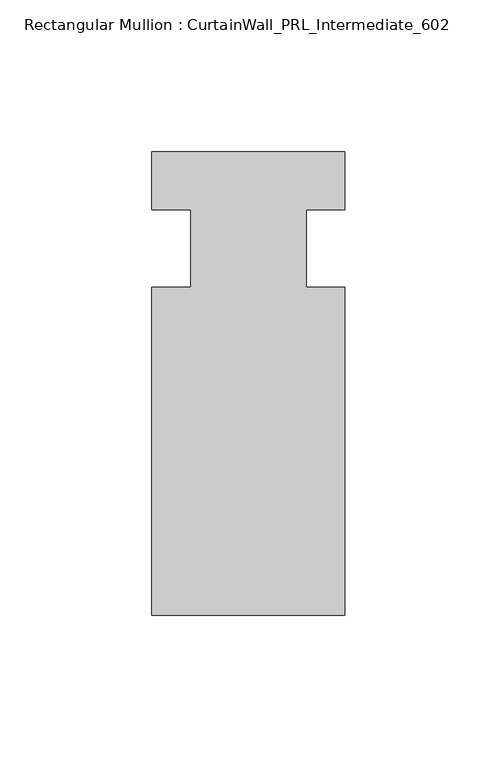
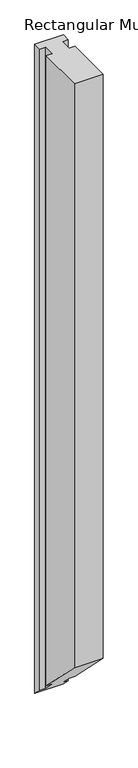
"""IFC4 building model written with IfcOpenShell, lengths in millimetres: member geometry, Rectangular Mullion : CurtainWall_PRL_Intermediate_602."""

from ifc_helpers import new_model, si_unit, origin, place, context, project, spatial, faceted_brep, source, transform, mapped, element, save


def rectangular_mullion_curtainwall_prl_intermediate_602_e72ae2a6(model_context):
    return source(origin(), model_context, "Body", "Brep", [
        faceted_brep([(-19.05, -12.7, 0.0), (-31.75, -12.7, 0.0), (-31.75, -120.65, 0.0), (31.75, -120.65, 0.0), (31.75, -12.7, 0.0), (19.05, -12.7, 0.0), (19.05, 12.7, 0.0), (31.75, 12.7, 0.0), (31.75, 31.75, 0.0), (-31.75, 31.75, 0.0), (-31.75, 12.7, 0.0), (-19.05, 12.7, 0.0), (-19.05, -12.7, -1479.55), (-31.75, -12.7, -1479.55), (-31.75, -120.65, -1371.6), (31.75, -120.65, -1371.6), (31.75, -12.7, -1479.55), (19.05, -12.7, -1479.55), (19.05, 12.7, -1504.95), (31.75, 12.7, -1504.95), (31.75, 31.75, -1524.0), (-31.75, 31.75, -1524.0), (-31.75, 12.7, -1504.95), (-19.05, 12.7, -1504.95)], [[[0, 1, 2, 3, 4, 5, 6, 7, 8, 9, 10, 11]], [[1, 0, 12, 13]], [[2, 1, 13, 14]], [[3, 2, 14, 15]], [[4, 3, 15, 16]], [[5, 4, 16, 17]], [[6, 5, 17, 18]], [[7, 6, 18, 19]], [[8, 7, 19, 20]], [[9, 8, 20, 21]], [[10, 9, 21, 22]], [[11, 10, 22, 23]], [[0, 11, 23, 12]], [[12, 23, 22, 21, 20, 19, 18, 17, 16, 15, 14, 13]]]),
    ])


if __name__ == "__main__":
    model = new_model("IFC4")
    model_context = context("Model", 3, world=origin())
    ifc_project = project(units=[si_unit("LENGTHUNIT", "METRE", prefix="MILLI")], contexts=[model_context])
    site = spatial("IfcSite", under=ifc_project)
    building = spatial("IfcBuilding", under=site)
    placement = place(None, origin())
    rectangular_mullion_curtainwall_prl_intermediate_602_shape = rectangular_mullion_curtainwall_prl_intermediate_602_e72ae2a6(model_context)
    element("IfcMember", 1, ObjectType="Rectangular Mullion : CurtainWall_PRL_Intermediate_602", at=placement, inside=building, context=model_context, shape_type="MappedRepresentation", body=[
        mapped(rectangular_mullion_curtainwall_prl_intermediate_602_shape, transform((0.0, 0.0, 0.0), x_axis=(1.0, 0.0, 0.0), y_axis=(0.0, 1.0, 0.0), z_axis=(0.0, 0.0, 1.0))),
    ])
    save(model, "model.ifc")
